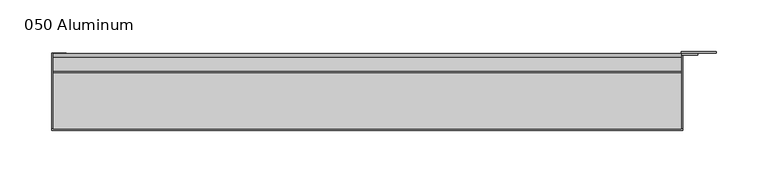
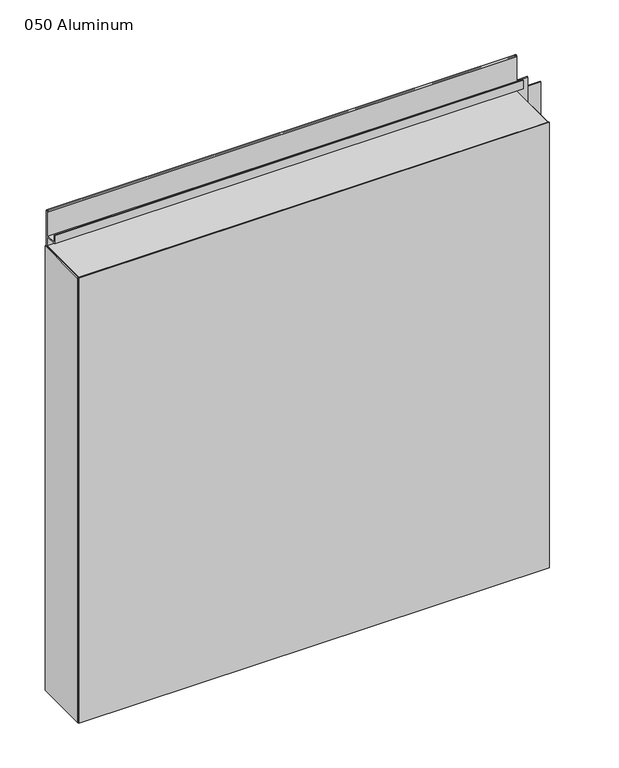
"""IFC4 building model written with IfcOpenShell, lengths in millimetres: plate geometry, 050 Aluminum."""

from ifc_helpers import new_model, si_unit, point, frame, frame_2d, origin, origin_with_axes, place, context, project, spatial, polyline, circle_curve, trimmed, segment, composite_curve, outline, extrude, source, transform, mapped, element, save


def plate_050_aluminum_4f77841e(model_context):
    return source(origin(), model_context, "Body", "SweptSolid", [
        extrude(outline(polyline([(-309.88, -2.5660257), (-309.88, -74.9300001), (-311.1499999, -74.9300001), (-311.1499999, -1.2699999), (-296.9894994, -1.2699999), (-296.9894994, -2.5660257), (-309.88, -2.5660257)])), origin_with_axes(), (0.0, 0.0, 1.0), 608.33),
        extrude(outline(composite_curve([segment(polyline([(-16.6765477, 13.1458337), (-16.6765477, 2.786437), (-17.9464915, 2.786437), (-17.9464915, 13.1323356)]), True, "CONTINUOUS"), segment(trimmed(circle_curve(frame_2d((-19.8514743, 13.124237)), 1.905), [point((-17.9464915, 13.1323356))], [point((-21.7564743, 13.124237))], True, "CARTESIAN"), True, "CONTINUOUS"), segment(polyline([(-21.7564743, 13.124237), (-21.7564743, 0.0), (-74.9300002, 0.0), (-74.9300002, 1.2693678), (-23.0264743, 1.2693678), (-23.0264743, 13.124237)]), True, "CONTINUOUS"), segment(trimmed(circle_curve(frame_2d((-19.8514743, 13.124237)), 3.175), [point((-23.0264743, 13.124237))], [point((-16.6765477, 13.1458337))], False, "CARTESIAN"), True, "CONTINUOUS")], self_intersect=False)), frame((-309.88, 0.0, 0.0), z_axis=(1.0, 0.0, 0.0), x_axis=(0.0, 1.0, 0.0)), (0.0, 0.0, 1.0), 607.06),
        extrude(outline(composite_curve([segment(polyline([(-2.0574743, 656.7932001), (-2.0574743, 608.33), (-74.9300002, 608.33), (-74.9300002, 609.6000001), (-3.3274743, 609.6000001), (-3.3274743, 656.7932001)]), True, "CONTINUOUS"), segment(trimmed(circle_curve(frame_2d((-3.7084742, 656.7932001)), 0.3809999), [point((-3.3274743, 656.7932001))], [point((-4.0894742, 656.7932001))], True, "CARTESIAN"), True, "CONTINUOUS"), segment(polyline([(-4.0894742, 656.7932001), (-4.0894742, 622.3), (-20.4864742, 622.3), (-20.4864742, 633.6538), (-19.2164743, 633.6538), (-19.2164743, 623.57), (-5.3594742, 623.57), (-5.3594742, 656.7932001)]), True, "CONTINUOUS"), segment(trimmed(circle_curve(frame_2d((-3.7084742, 656.7932001)), 1.6509999), [point((-5.3594742, 656.7932001))], [point((-2.0574743, 656.7932001))], False, "CARTESIAN"), True, "CONTINUOUS")], self_intersect=False)), frame((-309.88, 0.0, 0.0), z_axis=(1.0, 0.0, 0.0), x_axis=(0.0, 1.0, 0.0)), (0.0, 0.0, 1.0), 607.06),
        extrude(outline(polyline([(-311.15, -76.2), (-311.15, -74.9300001), (298.45, -74.9300001), (298.45, -76.2), (-311.15, -76.2)])), origin_with_axes(), (0.0, 0.0, 1.0), 609.6),
        extrude(outline(polyline([(298.45, -1.2699999), (298.45, -74.9300002), (297.1800001, -74.9300002), (297.1800001, 0.0), (330.9620856, 0.0), (330.9620856, -1.2699999), (298.45, -1.2699999)])), origin_with_axes(), (0.0, 0.0, 1.0), 608.33),
        extrude(outline(polyline([(297.18, -3.3274743), (297.18, -2.0574743), (312.9279999, -2.0574743), (312.9279999, -3.3274743), (297.18, -3.3274743)])), origin_with_axes(), (0.0, 0.0, 1.0), 622.3),
    ])


if __name__ == "__main__":
    model = new_model("IFC4")
    model_context = context("Model", 3, world=origin())
    ifc_project = project(units=[si_unit("LENGTHUNIT", "METRE", prefix="MILLI")], contexts=[model_context])
    site = spatial("IfcSite", under=ifc_project)
    building = spatial("IfcBuilding", under=site)
    placement = place(None, origin())
    plate_050_aluminum_shape = plate_050_aluminum_4f77841e(model_context)
    element("IfcPlate", 1, ObjectType="050 Aluminum", at=placement, inside=building, context=model_context, shape_type="MappedRepresentation", body=[
        mapped(plate_050_aluminum_shape, transform((0.0, 0.0, 0.0), x_axis=(1.0, 0.0, 0.0), y_axis=(0.0, 1.0, 0.0), z_axis=(0.0, 0.0, 1.0))),
    ])
    save(model, "model.ifc")
